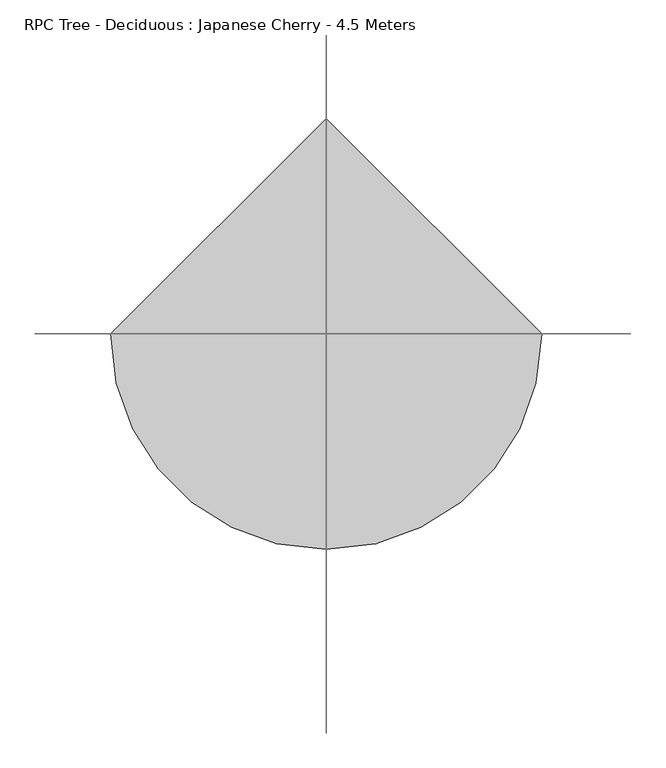
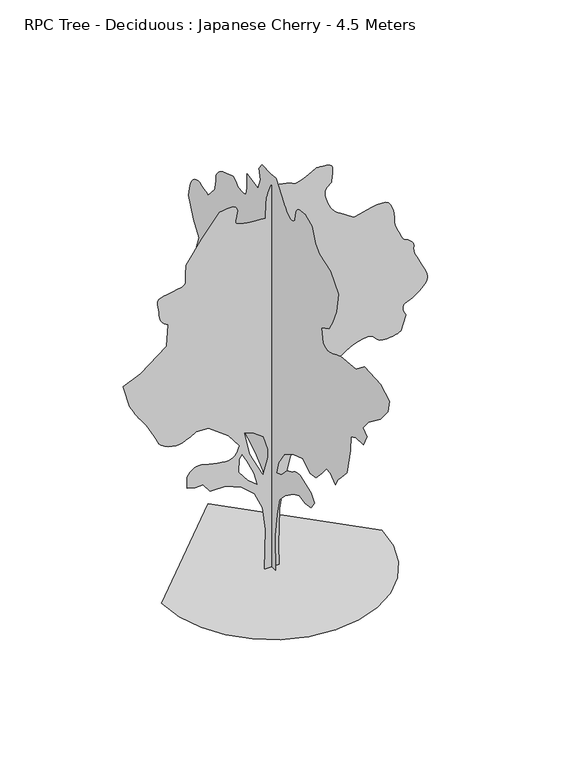
"""IFC4 building model written with IfcOpenShell, lengths in millimetres: geographic element geometry, RPC Tree - Deciduous : Japanese Cherry - 4.5 Meters."""

from ifc_helpers import new_model, si_unit, origin, place, context, project, spatial, triangles, source, transform, mapped, element, save


def rpc_tree_deciduous_japanese_cherry_4_5_meters_7aaeb41d(model_context):
    return source(origin(), model_context, "Body", "Tessellation", [
        triangles([(-0.0027587, 74.5725603, 0.00586), (-0.0027587, -72.0943095, 0.00586), (-0.0027587, -58.7610481, 393.3378007), (-0.0027587, -98.7608322, 653.338028), (-0.0027587, -145.4276149, 853.3381748), (-0.0027587, -252.0952047, 966.670792), (-0.0027587, -412.0928332, 1080.00588), (-0.0027587, -518.7604139, 1126.6709095), (-0.0027587, -625.428031, 1106.6708948), (-0.0027587, -738.7605755, 1126.6709095), (-0.0027587, -798.7606195, 1213.3385118), (-0.0027587, -738.7605755, 1293.3384979), (-0.0027587, -525.4279212, 1366.6710857), (-0.0027587, -506.885412, 1365.1761189), (-0.0027587, -488.5178922, 1363.2711479), (-0.0027587, -470.5003873, 1360.5486397), (-0.0027587, -453.0078504, 1356.6035316), (-0.0027587, -436.2153434, 1351.0261105), (-0.0027587, -420.2953485, 1343.4060814), (-0.0027587, -405.4278331, 1333.3385273), (-0.0027587, -390.5578105, 1322.4935497), (-0.0027587, -374.6402864, 1312.6960373), (-0.0027587, -357.8477795, 1303.7760876), (-0.0027587, -340.3552789, 1295.553479), (-0.0027587, -322.337774, 1287.8585999), (-0.0027587, -303.9702541, 1280.5110832), (-0.0027587, -285.4277268, 1273.3385559), (-0.0027587, -185.427399, 1166.6709389), (-0.0027587, -85.4275708, 1126.6709095), (-0.0027587, -125.4276002, 1266.671085), (-0.0027587, -238.7606988, 1433.3386734), (-0.0027587, -398.7603258, 1533.3386742), (-0.0027587, -585.4279653, 1593.3387909), (-0.0027587, -718.7605608, 1506.6712612), (-0.0027587, -825.4281778, 1520.0062031), (-0.0027587, -938.7607224, 1640.0038204), (-0.0027587, -1025.4283247, 1746.6714375), (-0.0027587, -1105.4259127, 1740.0039665), (-0.0027587, -1192.0934423, 1660.0063786), (-0.0027587, -1245.4260155, 1753.3389084), (-0.0027587, -1305.4259869, 1820.0040253), (-0.0027587, -1412.0936039, 1933.3391132), (-0.0027587, -1478.7587208, 2233.3392609), (-0.0027587, -1485.4261917, 2393.3393784), (-0.0027587, -1578.7613377, 2433.336937), (-0.0027587, -1725.426368, 2446.6718788), (-0.0027587, -1785.4264847, 2573.3269386), (-0.0027587, -1712.0938969, 2633.3270554), (-0.0027587, -1812.0938976, 2753.3272888), (-0.0027587, -2038.759132, 2926.6774635), (-0.0027587, -2185.4267784, 3100.0026398), (-0.0027587, -2212.0917206, 3240.0025246), (-0.0027587, -2045.4266029, 3333.3276421), (-0.0027587, -1738.758839, 3346.6776993), (-0.0027587, -1585.4263378, 3226.6774658), (-0.0027587, -1292.0935158, 3193.3274666), (-0.0027587, -1252.2485641, 3177.7025482), (-0.0027587, -1213.3385118, 3162.6025978), (-0.0027587, -1176.2909185, 3148.5525833), (-0.0027587, -1142.0459158, 3136.0774727), (-0.0027587, -1111.5309179, 3125.7025246), (-0.0027587, -1085.6808969, 3117.9524162), (-0.0027587, -1065.4258833, 3113.3274078), (-0.0027587, -1047.2933418, 3113.0774231), (-0.0027587, -1028.108321, 3117.0274727), (-0.0027587, -1009.2758223, 3123.6526497), (-0.0027587, -992.1908186, 3131.4524643), (-0.0027587, -978.255768, 3138.9025909), (-0.0027587, -968.8682596, 3144.4775414), (-0.0027587, -965.4258099, 3146.6774071), (-0.0027587, -932.0932514, 3306.6778152), (-0.0027587, -1072.0933542, 3380.0027), (-0.0027587, -1138.7609419, 3486.6778748), (-0.0027587, -1212.093457, 3660.003051), (-0.0027587, -1252.0934864, 3880.0029945), (-0.0027587, -1098.7609125, 4053.3281708), (-0.0027587, -898.760693, 4126.6783447), (-0.0027587, -818.7606342, 4200.0035202), (-0.0027587, -758.7605902, 4360.0036377), (-0.0027587, -618.7604874, 4413.3285805), (-0.0027587, -595.9604982, 4413.2285866), (-0.0027587, -573.5129585, 4412.5536278), (-0.0027587, -551.7629416, 4410.70345), (-0.0027587, -531.0629333, 4407.1286682), (-0.0027587, -511.7629123, 4401.17845), (-0.0027587, -494.2128934, 4392.3534073), (-0.0027587, -478.7603846, 4380.0035797), (-0.0027587, -466.2228868, 4364.5536507), (-0.0027587, -456.8353784, 4347.0035591), (-0.0027587, -450.0728551, 4327.7035744), (-0.0027587, -445.4078419, 4307.0033844), (-0.0027587, -442.3178415, 4285.2535492), (-0.0027587, -440.2753427, 4262.803466), (-0.0027587, -438.7603552, 4240.0034042), (-0.0027587, -427.2553525, 4227.3033073), (-0.0027587, -415.2803204, 4215.6034401), (-0.0027587, -402.3753304, 4205.9034508), (-0.0027587, -388.070317, 4199.1532814), (-0.0027587, -371.9003011, 4196.3784508), (-0.0027587, -353.3952896, 4198.553318), (-0.0027587, -332.0927745, 4206.6784035), (-0.0027587, -310.9852693, 4218.4782646), (-0.0027587, -293.0277353, 4231.0033722), (-0.0027587, -277.6927156, 4244.1034447), (-0.0027587, -264.4552061, 4257.6784882), (-0.0027587, -252.7927094, 4271.5785118), (-0.0027587, -242.1814384, 4285.7285202), (-0.0027587, -232.0939364, 4300.003521), (-0.0027587, -138.7608616, 4426.6786377), (-0.0027587, -78.7608175, 4500.0035225), (-0.0027587, 21.2393172, 4493.3286392), (-0.0027587, 181.2391554, 4500.0035225), (-0.0027587, 241.2389451, 4420.0034637), (-0.0027587, 214.5724224, 4306.6784042), (-0.0027587, 261.2402133, 4180.0032875), (-0.0027587, 467.9053785, 4220.0034622), (-0.0027587, 467.9053785, 4073.3284035), (-0.0027587, 469.4403866, 4050.6283356), (-0.0027587, 471.6178699, 4028.7032204), (-0.0027587, 475.0778695, 4008.4282951), (-0.0027587, 480.4628969, 3990.6282188), (-0.0027587, 488.4103769, 3976.0532364), (-0.0027587, 499.5679081, 3965.5782944), (-0.0027587, 514.5729152, 3960.0030533), (-0.0027587, 531.7154371, 3957.9281799), (-0.0027587, 548.8579591, 3957.2532211), (-0.0027587, 566.0004447, 3957.7281921), (-0.0027587, 583.1429667, 3959.1531052), (-0.0027587, 600.2854886, 3961.2782661), (-0.0027587, 617.4304813, 3963.853109), (-0.0027587, 634.5730396, 3966.6782272), (-0.0027587, 650.2955538, 3982.2281502), (-0.0027587, 666.0780207, 3996.928125), (-0.0027587, 681.9780676, 4009.8782066), (-0.0027587, 698.0505604, 4020.2031578), (-0.0027587, 714.3580679, 4027.0283226), (-0.0027587, 730.9580721, 4029.4781731), (-0.0027587, 747.9055841, 4026.678344), (-0.0027587, 927.9057163, 3966.6782272), (-0.0027587, 953.4457998, 3949.4781143), (-0.0027587, 977.9358021, 3931.9283134), (-0.0027587, 1000.3257872, 3913.6782646), (-0.0027587, 1019.5682899, 3894.3782799), (-0.0027587, 1034.6108311, 3873.6780899), (-0.0027587, 1044.4058727, 3851.2280067), (-0.0027587, 1047.9058771, 3826.6780518), (-0.0027587, 1048.6833733, 3801.5281334), (-0.0027587, 1050.8608566, 3777.4531494), (-0.0027587, 1054.2033852, 3754.253112), (-0.0027587, 1058.4783422, 3731.7530319), (-0.0027587, 1063.4533293, 3709.7529213), (-0.0027587, 1068.895875, 3688.1280785), (-0.0027587, 1074.570892, 3666.6779343), (-0.0027587, 1201.238451, 3526.6777588), (-0.0027587, 1239.7609543, 3543.5528915), (-0.0027587, 1277.9935043, 3558.9278252), (-0.0027587, 1315.641061, 3571.2779434), (-0.0027587, 1352.4135258, 3579.077758), (-0.0027587, 1388.0210907, 3580.8029434), (-0.0027587, 1422.1711864, 3574.9530098), (-0.0027587, 1454.5712437, 3560.0027596), (-0.0027587, 1482.6961258, 3536.9027161), (-0.0027587, 1504.8736965, 3508.1777252), (-0.0027587, 1522.093721, 3474.8027275), (-0.0027587, 1535.3487259, 3437.7026665), (-0.0027587, 1545.6312378, 3397.8027763), (-0.0027587, 1553.9313126, 3356.02771), (-0.0027587, 1561.2387154, 3313.3277), (-0.0027587, 1474.5711857, 3086.677581), (-0.0027587, 1367.9060394, 2940.0022316), (-0.0027587, 1454.5712437, 2700.0020554), (-0.0027587, 1374.5710396, 2573.3269386), (-0.0027587, 1341.9185268, 2561.8270592), (-0.0027587, 1310.4910847, 2549.851918), (-0.0027587, 1281.5110222, 2536.952124), (-0.0027587, 1256.2035553, 2522.6521248), (-0.0027587, 1235.7959347, 2506.4769493), (-0.0027587, 1221.5110508, 2487.9745903), (-0.0027587, 1214.5709948, 2466.6721115), (-0.0027587, 1212.2984591, 2444.0095413), (-0.0027587, 1211.0734612, 2421.694479), (-0.0027587, 1210.7234825, 2399.6744568), (-0.0027587, 1211.0734612, 2377.8869785), (-0.0027587, 1211.9484804, 2356.2718735), (-0.0027587, 1213.1734783, 2334.7768192), (-0.0027587, 1214.5709948, 2313.3368488), (-0.0027587, 1187.9059799, 2206.6718479), (-0.0027587, 1001.2383041, 2226.6717899), (-0.0027587, 985.728277, 2195.3792233), (-0.0027587, 971.4433205, 2164.9017231), (-0.0027587, 959.6057436, 2136.0592976), (-0.0027587, 951.4432331, 2109.6642517), (-0.0027587, 948.1782434, 2086.536739), (-0.0027587, 951.0357725, 2067.486739), (-0.0027587, 961.2382748, 2053.3392014), (-0.0027587, 977.7782536, 2041.5992203), (-0.0027587, 998.0507807, 2029.6266953), (-0.0027587, 1020.8883402, 2018.0041489), (-0.0027587, 1045.1258142, 2007.3141037), (-0.0027587, 1069.5958323, 1998.1390823), (-0.0027587, 1093.133349, 1991.0640781), (-0.0027587, 1114.5709213, 1986.6716137), (-0.0027587, 1133.9884134, 1982.8416149), (-0.0027587, 1152.3558969, 1977.2640484), (-0.0027587, 1169.8484339, 1970.229158), (-0.0027587, 1186.6409409, 1962.0266064), (-0.0027587, 1202.9109507, 1952.9491081), (-0.0027587, 1218.828511, 1943.2890873), (-0.0027587, 1234.5710094, 1933.3391132), (-0.0027587, 1387.9061268, 2013.339172), (-0.0027587, 1431.9861397, 2024.5916828), (-0.0027587, 1474.8436981, 2034.7965832), (-0.0027587, 1515.2512608, 2042.9016117), (-0.0027587, 1551.9862278, 2047.8566872), (-0.0027587, 1583.8238194, 2048.6141991), (-0.0027587, 1609.5388195, 2044.1266823), (-0.0027587, 1627.9038322, 2033.339114), (-0.0027587, 1640.0538174, 2017.6916679), (-0.0027587, 1648.351276, 1999.5965515), (-0.0027587, 1653.4438431, 1979.4615887), (-0.0027587, 1655.9713051, 1957.6915512), (-0.0027587, 1656.5738846, 1934.6990593), (-0.0027587, 1655.8938389, 1910.8890301), (-0.0027587, 1654.5713905, 1886.6714676), (-0.0027587, 1631.6563648, 1862.5890713), (-0.0027587, 1608.3913605, 1839.7339256), (-0.0027587, 1584.4262535, 1819.3239796), (-0.0027587, 1559.4112106, 1802.5889545), (-0.0027587, 1532.9962532, 1790.7539211), (-0.0027587, 1504.833728, 1785.0390083), (-0.0027587, 1474.5711857, 1786.6714668), (-0.0027587, 1442.5211071, 1793.7065025), (-0.0027587, 1410.0036152, 1802.1439236), (-0.0027587, 1378.1860806, 1810.1114605), (-0.0027587, 1348.2360191, 1815.7489071), (-0.0027587, 1321.3160053, 1817.1864647), (-0.0027587, 1298.5960258, 1812.5614563), (-0.0027587, 1281.2385098, 1800.0039379), (-0.0027587, 1268.1185257, 1783.8339947), (-0.0027587, 1257.0985588, 1769.4114738), (-0.0027587, 1247.8260143, 1756.448893), (-0.0027587, 1239.9560005, 1744.6513573), (-0.0027587, 1233.1334518, 1733.7264427), (-0.0027587, 1227.0110058, 1723.3863762), (-0.0027587, 1221.2385384, 1713.338879), (-0.0027587, 1243.9585178, 1710.3264175), (-0.0027587, 1265.8635761, 1706.3813095), (-0.0027587, 1286.1360306, 1700.5688736), (-0.0027587, 1303.9584892, 1691.958934), (-0.0027587, 1318.5160309, 1679.6163734), (-0.0027587, 1328.993589, 1662.608836), (-0.0027587, 1334.5710102, 1640.0038204), (-0.0027587, 1336.8460167, 1613.5138676), (-0.0027587, 1338.0710873, 1585.6212387), (-0.0027587, 1338.4210659, 1556.56371), (-0.0027587, 1338.0710873, 1526.5736801), (-0.0027587, 1337.1961407, 1495.8836929), (-0.0027587, 1335.9710701, 1464.7286179), (-0.0027587, 1334.5710102, 1433.3386734), (-0.0027587, 1300.3260075, 1407.8185741), (-0.0027587, 1266.3110779, 1383.4636654), (-0.0027587, 1232.7635616, 1361.4436432), (-0.0027587, 1199.9160027, 1342.9210819), (-0.0027587, 1168.0034157, 1329.0636429), (-0.0027587, 1137.2534031, 1321.0360806), (-0.0027587, 1107.9059212, 1320.0060562), (-0.0027587, 1078.5558958, 1323.638538), (-0.0027587, 1047.808354, 1328.6735504), (-0.0027587, 1015.8932962, 1334.873608), (-0.0027587, 983.0458099, 1342.0060215), (-0.0027587, 949.4982937, 1349.8411537), (-0.0027587, 915.4857622, 1358.1386124), (-0.0027587, 881.238216, 1366.6710857), (-0.0027587, 681.2380692, 1320.0060562), (-0.0027587, 447.9053638, 1200.0059681), (-0.0027587, 314.5727683, 1126.6709095), (-0.0027587, 161.2391225, 1000.0058212), (-0.0027587, 67.905807, 806.6731453), (-0.0027587, 41.2392842, 533.3379398), (-0.0027587, 67.905807, 260.0052052), (78.9470616, 0.0002511, 0.0), (-81.0528197, 0.0002511, 0.0), (-67.7195538, 0.0002197, 453.3328669), (-101.05258, 0.0001988, 713.3330578), (-187.7194103, 0.0001884, 899.9982628), (-327.7202579, 0.0001884, 1026.6658218), (-501.0529192, 0.0001779, 1099.9984097), (-667.7180368, 0.0001779, 1099.9984097), (-747.720639, 0.0001779, 1199.9984831), (-834.3856979, 0.0001779, 1199.9984831), (-921.0532276, 0.0001779, 1219.9984978), (-921.0532276, 0.0001674, 1346.6660568), (-903.7932346, 0.0001674, 1369.3085701), (-885.8332117, 0.0001674, 1390.6686035), (-866.4756723, 0.000157, 1409.4636772), (-845.0181885, 0.000157, 1424.411166), (-820.7606575, 0.000157, 1434.2261192), (-793.0056656, 0.000157, 1437.6286732), (-761.0531101, 0.000157, 1433.3335865), (-723.1130568, 0.000157, 1423.7311203), (-679.5755253, 0.000157, 1412.8461742), (-633.0054754, 0.0001674, 1401.8461189), (-585.970483, 0.0001674, 1391.8936741), (-541.032928, 0.0001674, 1384.1586811), (-500.7604225, 0.0001674, 1379.803569), (-467.71789, 0.0001674, 1379.9986153), (-441.4803563, 0.0001674, 1385.9661289), (-419.4403499, 0.0001674, 1397.5311207), (-400.8978407, 0.000157, 1413.7610893), (-385.1527988, 0.000157, 1433.7212082), (-371.5103176, 0.000157, 1456.4811562), (-359.2652802, 0.000157, 1481.1062519), (-347.7202726, 0.000157, 1506.6661743), (-467.71789, 0.0001465, 1666.6662918), (-687.7180515, 0.000136, 1826.6664093), (-821.0531542, 0.000136, 1833.3314095), (-842.5681927, 0.000136, 1820.5039948), (-864.6081991, 0.000136, 1807.851424), (-887.7006849, 0.000136, 1795.5489773), (-912.3632057, 0.000136, 1783.7688824), (-939.1282871, 0.000136, 1772.6913609), (-968.5158102, 0.000136, 1762.4864605), (-1001.0532864, 0.0001465, 1753.3313507), (-1038.4858126, 0.0001465, 1750.1639568), (-1080.1183731, 0.0001465, 1756.5589153), (-1122.8009422, 0.000136, 1770.6488983), (-1163.385965, 0.000136, 1790.5713741), (-1198.7209448, 0.000136, 1814.4590149), (-1225.6584721, 0.000136, 1840.4465275), (-1241.0509918, 0.000136, 1866.6664387), (-1254.4834568, 0.000136, 1899.3565945), (-1275.8434902, 0.0001256, 1942.8940533), (-1302.4510231, 0.0001256, 1992.6141289), (-1331.6261318, 0.0001256, 2043.8466122), (-1360.6836605, 0.0001256, 2091.9317585), (-1386.9410694, 0.0001151, 2132.204155), (-1407.7185802, 0.0001151, 2159.9992607), (-1425.2510857, 0.0001151, 2182.1367176), (-1443.4812229, 0.0001151, 2208.1242302), (-1462.2962082, 0.0001151, 2237.3167797), (-1481.576136, 0.0001151, 2269.0742889), (-1501.2061878, 0.0001046, 2302.7592968), (-1521.0712543, 0.0001046, 2337.7244591), (-1541.0512848, 0.0001046, 2373.3318787), (-1614.3863434, 9.42e-05, 2626.6771706), (-1421.0511967, 8.37e-05, 2706.6772293), (-1141.0533892, 7.32e-05, 2926.6774635), (-1127.7183746, 5.23e-05, 3166.6526413), (-1147.5834412, 5.23e-05, 3181.0776329), (-1166.6309704, 5.23e-05, 3196.1775833), (-1184.0459684, 5.23e-05, 3212.677739), (-1199.0109707, 5.23e-05, 3231.2774757), (-1210.7109833, 5.23e-05, 3252.677623), (-1218.3310123, 5.23e-05, 3277.5775566), (-1221.0535206, 5.23e-05, 3306.6525261), (-1223.4635479, 4.19e-05, 3339.402562), (-1228.9034775, 4.19e-05, 3373.552803), (-1234.6960018, 4.19e-05, 3407.2527809), (-1238.155965, 4.19e-05, 3438.6029022), (-1236.6009727, 4.19e-05, 3465.7526985), (-1227.3484852, 4.19e-05, 3486.8278656), (-1207.7185061, 4.19e-05, 3500.0029335), (-1173.335939, 4.19e-05, 3508.2777191), (-1126.1258846, 3.14e-05, 3516.4528015), (-1072.8508661, 3.14e-05, 3525.1778503), (-1020.2758049, 3.14e-05, 3535.2278183), (-975.1632969, 3.14e-05, 3547.2279579), (-944.2782635, 3.14e-05, 3561.9279327), (-934.3857714, 3.14e-05, 3580.0029922), (-936.4657316, 3.14e-05, 3601.7528275), (-937.1457773, 3.14e-05, 3626.6530518), (-936.6582344, 3.14e-05, 3654.1778252), (-935.2407337, 3.14e-05, 3683.7780533), (-933.1232758, 2.09e-05, 3714.9778931), (-930.5382591, 2.09e-05, 3747.2279594), (-927.7182278, 2.09e-05, 3780.0029938), (-761.0531101, 1.05e-05, 4020.00317), (-567.7204705, -1.05e-05, 4260.0033463), (-526.5729095, -1.05e-05, 4266.8535095), (-487.1179049, -1.05e-05, 4272.0284843), (-451.042854, -1.05e-05, 4273.8283745), (-420.0428567, -1.05e-05, 4270.5285759), (-395.80531, -1.05e-05, 4260.4783173), (-380.0228067, -1.05e-05, 4241.9782837), (-374.3852875, 0.0, 4213.3282883), (-377.165314, 0.0, 4181.0535141), (-383.5603088, 0.0, 4152.6032158), (-390.6553336, 0.0, 4127.8032761), (-395.5328339, 0.0, 4106.3534225), (-395.2803057, 0.0, 4088.0533768), (-386.9803036, 0.0, 4072.6781525), (-367.7202873, 0.0, 4060.0033447), (-338.5077899, 0.0, 4049.7283905), (-302.995241, 0.0, 4041.5783066), (-262.2377179, 1.05e-05, 4035.1531174), (-217.282177, 1.05e-05, 4030.1531319), (-169.1771373, 1.05e-05, 4026.1783745), (-118.9730978, 1.05e-05, 4022.9032837), (-67.7195538, 1.05e-05, 4020.00317), (-61.0525507, 0.0, 4200.0035202), (-59.4975493, -1.05e-05, 4225.5284157), (-55.1437952, -1.05e-05, 4250.678334), (-48.4577889, -1.05e-05, 4275.5535599), (-39.9057809, -1.05e-05, 4300.2035088), (-29.954274, -1.05e-05, 4324.6784683), (-19.070066, -1.05e-05, 4349.0284355), (-7.719256, -1.05e-05, 4373.3284058), (37.7812808, -1.05e-05, 4364.72864), (81.9990646, -1.05e-05, 4356.0285896), (123.6511007, -1.05e-05, 4347.103553), (161.4548797, -1.05e-05, 4337.8035393), (194.127413, -1.05e-05, 4328.053553), (220.3859302, -1.05e-05, 4317.7036034), (238.9474425, -1.05e-05, 4306.6534058), (263.1077047, -1.05e-05, 4303.4286026), (302.4252358, -1.05e-05, 4313.503569), (350.0252918, -1.05e-05, 4332.2035904), (399.0253169, -1.05e-05, 4354.8786598), (442.5428641, -1.05e-05, 4376.8284828), (473.6978665, -2.09e-05, 4393.4286324), (485.6129096, -2.09e-05, 4400.0035217), (495.2154121, -2.09e-05, 4400.2035095), (519.9779268, -2.09e-05, 4399.9285263), (553.8354532, -2.09e-05, 4397.9036499), (590.7254617, -2.09e-05, 4392.8536674), (624.5830244, -1.05e-05, 4383.4786583), (649.3455391, -1.05e-05, 4368.5034096), (658.9480053, -1.05e-05, 4346.6535805), (658.5580582, -1.05e-05, 4321.3283821), (657.4705519, -1.05e-05, 4296.7034317), (655.7980522, -1.05e-05, 4272.6784447), (653.6605373, -1.05e-05, 4249.1034302), (651.1730438, -1.05e-05, 4225.8783943), (648.4505356, 0.0, 4202.8783447), (645.6129908, 0.0, 4180.0032875), (628.6255102, 0.0, 4167.0034996), (612.5730017, 0.0, 4153.2784653), (598.3829885, 0.0, 4138.0032349), (586.992986, 0.0, 4120.4784325), (579.3354592, 0.0, 4099.9282333), (576.342982, 0.0, 4075.5782661), (578.9479829, 0.0, 4046.6532875), (586.2154899, 1.05e-05, 4014.6032089), (596.2829713, 1.05e-05, 3981.953167), (608.6854846, 1.05e-05, 3949.7530975), (622.9504932, 1.05e-05, 3919.0782257), (638.6155254, 1.05e-05, 3890.9781967), (655.2155296, 1.05e-05, 3866.4782387), (672.280549, 2.09e-05, 3846.6529953), (692.3380457, 2.09e-05, 3828.553228), (717.6455853, 2.09e-05, 3808.6779877), (747.3231342, 2.09e-05, 3787.3531265), (780.5031584, 2.09e-05, 3764.8780449), (816.3031534, 2.09e-05, 3741.5030182), (853.853187, 2.09e-05, 3717.5780251), (892.2807106, 2.09e-05, 3693.3280518), (959.140801, 2.09e-05, 3711.6280975), (1024.3108057, 2.09e-05, 3728.2279564), (1086.098386, 2.09e-05, 3741.4280228), (1142.8159269, 2.09e-05, 3749.5781067), (1192.7659304, 2.09e-05, 3750.9530228), (1234.2634701, 2.09e-05, 3743.8781639), (1265.6135914, 2.09e-05, 3726.6530525), (1288.19855, 2.09e-05, 3698.6530174), (1305.0685959, 3.14e-05, 3662.6028923), (1317.0411209, 3.14e-05, 3621.8780525), (1324.9335171, 3.14e-05, 3579.8779999), (1329.5585255, 3.14e-05, 3539.9778191), (1331.7360088, 4.19e-05, 3505.5528854), (1332.2810337, 4.19e-05, 3480.0027008), (1337.451067, 4.19e-05, 3452.7529106), (1350.7835381, 4.19e-05, 3414.6526199), (1369.0136753, 4.19e-05, 3371.2026558), (1388.8785965, 5.23e-05, 3327.8526855), (1407.1112045, 5.23e-05, 3290.1026642), (1420.4436756, 5.23e-05, 3263.4275482), (1425.6137089, 5.23e-05, 3253.3275833), (1432.59119, 5.23e-05, 3250.5527527), (1450.4136486, 5.23e-05, 3242.5276611), (1474.4187241, 5.23e-05, 3229.7275703), (1499.938678, 5.23e-05, 3212.6024529), (1522.3086788, 5.23e-05, 3191.6275703), (1536.8662205, 5.23e-05, 3167.2776031), (1538.9461807, 6.28e-05, 3140.0025238), (1536.3412525, 6.28e-05, 3112.1024826), (1539.3362732, 6.28e-05, 3085.0273911), (1546.9938, 6.28e-05, 3057.9525902), (1558.3838024, 6.28e-05, 3030.0775475), (1572.5713085, 6.28e-05, 3000.5523148), (1588.6262878, 7.32e-05, 2968.5775223), (1605.6137684, 7.32e-05, 2933.3273483), (1625.0112762, 7.32e-05, 2895.102356), (1646.5088013, 7.32e-05, 2855.2271736), (1666.4888317, 7.32e-05, 2814.5523308), (1681.3363266, 8.37e-05, 2773.8771973), (1687.4413319, 8.37e-05, 2734.0023056), (1681.1813942, 8.37e-05, 2695.7773132), (1658.9462688, 8.37e-05, 2660.0021713), (1628.9963528, 9.42e-05, 2628.8270393), (1601.3762363, 9.42e-05, 2603.2521469), (1575.1563251, 9.42e-05, 2582.3269707), (1549.4036819, 9.42e-05, 2565.1521469), (1523.1837708, 9.42e-05, 2550.7771523), (1495.5662704, 9.42e-05, 2538.2520447), (1465.6137383, 9.42e-05, 2526.6771698), (1440.211219, 9.42e-05, 2513.3021141), (1425.6512066, 9.42e-05, 2496.4220398), (1420.1311947, 9.42e-05, 2476.6369102), (1421.8435902, 0.0001046, 2454.5170395), (1428.976149, 0.0001046, 2430.6494556), (1439.7236034, 0.0001046, 2405.616972), (1452.2811218, 0.0001046, 2379.9993496), (1398.9461506, 0.0001151, 2213.3317612), (1380.1910454, 0.0001151, 2204.8392563), (1360.3261242, 0.0001151, 2196.8118393), (1338.2460766, 0.0001151, 2189.7167782), (1312.8435574, 0.0001151, 2184.021777), (1283.0086052, 0.0001151, 2180.194249), (1247.6334389, 0.0001151, 2178.6968113), (1205.6134747, 0.0001151, 2179.9992027), (1167.8684675, 0.0001151, 2188.6467854), (1142.0184465, 0.0001151, 2205.9268353), (1121.9983749, 0.0001151, 2227.4043034), (1101.7459047, 0.0001151, 2248.6467567), (1075.1958538, 0.0001151, 2265.2268494), (1036.2833307, 0.0001151, 2272.7093868), (978.9457695, 0.0001151, 2266.6642616), (912.6507608, 0.0001151, 2247.8318356), (851.8331795, 0.0001151, 2221.3017689), (797.8981722, 0.0001151, 2189.1717533), (752.2406393, 0.0001151, 2153.5467476), (716.2655823, 0.0001151, 2116.5192112), (691.365576, 0.0001256, 2080.1942482), (678.94802, 0.0001256, 2046.6666435), (678.6755802, 0.0001256, 2016.7915775), (688.1980368, 0.0001256, 1989.7166313), (705.8855473, 0.0001256, 1964.9741009), (730.1031097, 0.0001256, 1942.0990437), (759.2181204, 0.000136, 1920.6215755), (791.6006641, 0.000136, 1900.0764633), (825.6131956, 0.000136, 1879.9990551), (845.4582052, 0.000136, 1867.0540604), (864.3707136, 0.000136, 1853.5839523), (881.4156761, 0.000136, 1839.0665245), (895.6632076, 0.000136, 1822.9739021), (906.1782635, 0.000136, 1804.7814079), (912.0282698, 0.000136, 1783.9639286), (912.2807253, 0.000136, 1759.998967), (909.6182425, 0.0001465, 1730.7863605), (907.3057383, 0.0001465, 1695.2763187), (905.28326, 0.0001465, 1654.5187775), (903.4957237, 0.0001465, 1609.5613472), (901.880706, 0.000157, 1561.4562893), (900.3857391, 0.000157, 1511.253685), (898.9457108, 0.000157, 1459.998674), (864.6231691, 0.000157, 1434.5760979), (830.0656855, 0.000157, 1410.9037056), (795.0406431, 0.0001674, 1390.7286289), (759.3156435, 0.0001674, 1375.8010517), (722.6606134, 0.0001674, 1367.8711578), (684.835524, 0.0001674, 1368.686079), (645.6129908, 0.0001674, 1379.9986153), (606.1979911, 0.0001674, 1395.0036587), (567.8304565, 0.0001674, 1406.1611172), (530.3354342, 0.000157, 1414.1112133), (493.5429125, 0.000157, 1419.4935883), (457.2753588, 0.000157, 1422.9536968), (421.3578564, 0.000157, 1425.1311802), (385.6127998, 0.000157, 1426.6661156), (272.280219, 0.0001674, 1353.3335278), (198.9474132, 0.0001779, 1186.6659393), (125.6138534, 0.0001884, 906.6657337), (85.6140693, 0.0002093, 633.332999), (72.2805581, 0.0002302, 233.3331958), (-94.386072, 8.37e-05, 1079.998395), (-41.0527812, 7.32e-05, 1266.6659981), (-41.0527812, 6.28e-05, 1359.9985279), (-87.7190734, 5.23e-05, 1519.9987907), (-207.7189163, 5.23e-05, 1606.6663204), (-301.052736, 5.23e-05, 1639.9988789), (-241.0526919, 6.28e-05, 1373.3336151), (-154.3856164, 6.28e-05, 993.3333361), (-194.385664, 6.28e-05, 1139.998439), (-267.7202139, 5.23e-05, 1299.9985565), (-321.0527507, 4.19e-05, 1399.9987026), (-354.3852728, 4.19e-05, 1353.3335278), (-361.0527801, 5.23e-05, 1206.665954), (-261.0527066, 6.28e-05, 1079.998395), (-1193.8159389, 0.0, 0.0045206), (-1162.2559467, -273.5427146, 0.0045206), (-1072.3708809, -524.7504189, 0.0045206), (-931.360738, -746.420573, 0.0045206), (-746.420573, -931.360738, 0.0045206), (-524.7504189, -1072.3708809, 0.0045206), (-273.5427146, -1162.2559467, 0.0045206), (5.22e-05, -1193.8159389, 0.0045206), (273.5427146, -1162.2559467, 0.0045206), (524.7504189, -1072.3708809, 0.0045206), (746.420573, -931.360738, 0.0045206), (931.360738, -746.420573, 0.0045206), (1072.3708809, -524.7504189, 0.0045206), (1162.2559467, -273.5427146, 0.0045206), (1193.8159389, 0.0001046, 0.0045206), (-0.0001566, 1193.8159389, 0.0045206)], [[38, 39, 40], [115, 116, 117], [1, 2, 3], [280, 1, 3], [279, 280, 3], [279, 3, 4], [278, 279, 4], [278, 4, 5], [186, 187, 188], [277, 278, 5], [46, 47, 48], [45, 46, 48], [277, 5, 6], [185, 186, 188], [10, 11, 12], [9, 10, 12], [9, 12, 13], [8, 9, 13], [8, 13, 14], [8, 14, 15], [8, 15, 16], [8, 16, 17], [8, 17, 18], [8, 18, 19], [8, 19, 20], [8, 20, 21], [7, 8, 21], [7, 21, 22], [7, 22, 23], [7, 23, 24], [7, 24, 25], [7, 25, 26], [6, 7, 26], [6, 26, 27], [6, 27, 28], [277, 6, 28], [277, 28, 29], [51, 52, 53], [50, 51, 53], [50, 53, 54], [50, 54, 55], [49, 50, 55], [49, 55, 56], [48, 49, 56], [48, 56, 57], [45, 48, 57], [44, 45, 57], [44, 57, 58], [44, 58, 59], [44, 59, 60], [44, 60, 61], [44, 61, 62], [44, 62, 63], [276, 277, 29], [276, 29, 30], [184, 185, 188], [183, 184, 188], [44, 63, 64], [115, 117, 118], [111, 112, 113], [111, 113, 114], [182, 183, 188], [109, 110, 111], [109, 111, 114], [108, 109, 114], [108, 114, 115], [107, 108, 115], [106, 107, 115], [105, 106, 115], [104, 105, 115], [115, 118, 119], [170, 171, 172], [170, 172, 173], [170, 173, 174], [170, 174, 175], [74, 75, 76], [74, 76, 77], [73, 74, 77], [72, 73, 77], [71, 72, 77], [258, 259, 260], [181, 182, 188], [78, 79, 80], [170, 175, 176], [103, 104, 115], [78, 80, 81], [44, 64, 65], [275, 276, 30], [275, 30, 31], [274, 275, 31], [78, 81, 82], [78, 82, 83], [78, 83, 84], [78, 84, 85], [78, 85, 86], [78, 86, 87], [78, 87, 88], [78, 88, 89], [78, 89, 90], [78, 90, 91], [78, 91, 92], [78, 92, 93], [78, 93, 94], [78, 94, 95], [78, 95, 96], [71, 77, 78], [71, 78, 96], [71, 96, 97], [71, 97, 98], [71, 98, 99], [71, 99, 100], [115, 119, 120], [180, 181, 188], [38, 40, 41], [223, 224, 225], [33, 34, 35], [33, 35, 36], [33, 36, 37], [102, 103, 115], [179, 180, 188], [44, 65, 66], [170, 176, 177], [71, 100, 101], [43, 44, 66], [42, 43, 66], [41, 42, 66], [38, 41, 66], [37, 38, 66], [33, 37, 66], [33, 66, 67], [33, 67, 68], [33, 68, 69], [33, 69, 70], [32, 33, 70], [31, 32, 70], [274, 31, 70], [273, 274, 70], [273, 70, 71], [273, 71, 101], [273, 101, 102], [273, 102, 115], [273, 115, 120], [273, 120, 121], [273, 121, 122], [273, 122, 123], [273, 123, 124], [273, 124, 125], [273, 125, 126], [273, 126, 127], [273, 127, 128], [273, 128, 129], [273, 129, 130], [273, 130, 131], [272, 273, 131], [271, 272, 131], [270, 271, 131], [269, 270, 131], [268, 269, 131], [268, 131, 132], [268, 132, 133], [268, 133, 134], [167, 168, 169], [257, 258, 260], [257, 260, 261], [256, 257, 261], [256, 261, 262], [255, 256, 262], [255, 262, 263], [254, 255, 263], [254, 263, 264], [254, 264, 265], [254, 265, 266], [254, 266, 267], [254, 267, 268], [253, 254, 268], [252, 253, 268], [251, 252, 268], [250, 251, 268], [249, 250, 268], [248, 249, 268], [247, 248, 268], [246, 247, 268], [245, 246, 268], [166, 167, 169], [165, 166, 169], [164, 165, 169], [163, 164, 169], [162, 163, 169], [161, 162, 169], [160, 161, 169], [159, 160, 169], [158, 159, 169], [157, 158, 169], [156, 157, 169], [155, 156, 169], [154, 155, 169], [154, 169, 170], [154, 170, 177], [153, 154, 177], [153, 177, 178], [153, 178, 179], [153, 179, 188], [222, 223, 225], [222, 225, 226], [221, 222, 226], [220, 221, 226], [219, 220, 226], [218, 219, 226], [217, 218, 226], [216, 217, 226], [215, 216, 226], [214, 215, 226], [213, 214, 226], [212, 213, 226], [212, 226, 227], [212, 227, 228], [212, 228, 229], [212, 229, 230], [212, 230, 231], [211, 212, 231], [211, 231, 232], [211, 232, 233], [210, 211, 233], [209, 210, 233], [209, 233, 234], [209, 234, 235], [209, 235, 236], [209, 236, 237], [209, 237, 238], [209, 238, 239], [209, 239, 240], [208, 209, 240], [208, 240, 241], [207, 208, 241], [206, 207, 241], [206, 241, 242], [205, 206, 242], [204, 205, 242], [204, 242, 243], [203, 204, 243], [202, 203, 243], [202, 243, 244], [201, 202, 244], [201, 244, 245], [201, 245, 268], [200, 201, 268], [199, 200, 268], [198, 199, 268], [197, 198, 268], [196, 197, 268], [195, 196, 268], [194, 195, 268], [153, 188, 189], [153, 189, 190], [152, 153, 190], [152, 190, 191], [151, 152, 191], [136, 137, 138], [135, 136, 138], [135, 138, 139], [134, 135, 139], [134, 139, 140], [134, 140, 141], [134, 141, 142], [134, 142, 143], [134, 143, 144], [134, 144, 145], [134, 145, 146], [134, 146, 147], [134, 147, 148], [134, 148, 149], [134, 149, 150], [134, 150, 151], [134, 151, 191], [134, 191, 192], [134, 192, 193], [268, 134, 193], [194, 268, 193], [583, 580, 581], [574, 281, 575], [580, 583, 584], [573, 574, 575], [583, 581, 575], [580, 584, 585], [572, 573, 575], [582, 583, 575], [582, 575, 281], [571, 572, 575], [571, 575, 576], [281, 282, 283], [570, 571, 576], [570, 576, 577], [344, 345, 346], [290, 291, 292], [406, 407, 408], [570, 577, 578], [290, 292, 293], [289, 290, 293], [289, 293, 294], [289, 294, 295], [289, 295, 296], [289, 296, 297], [289, 297, 298], [289, 298, 299], [289, 299, 300], [289, 300, 301], [289, 301, 302], [289, 302, 303], [288, 289, 303], [287, 288, 303], [287, 303, 304], [287, 304, 305], [287, 305, 306], [286, 287, 306], [286, 306, 307], [286, 307, 308], [286, 308, 309], [569, 570, 578], [554, 555, 556], [405, 406, 408], [343, 344, 346], [512, 513, 514], [511, 512, 514], [511, 514, 515], [511, 515, 516], [511, 516, 517], [510, 511, 517], [510, 517, 518], [510, 518, 519], [510, 519, 520], [510, 520, 521], [510, 521, 522], [510, 522, 523], [510, 523, 524], [509, 510, 524], [509, 524, 525], [508, 509, 525], [434, 435, 436], [342, 343, 346], [507, 508, 525], [507, 525, 526], [405, 408, 409], [404, 405, 409], [403, 404, 409], [403, 409, 410], [402, 403, 410], [401, 402, 410], [400, 401, 410], [400, 410, 411], [399, 400, 411], [399, 411, 412], [399, 412, 413], [399, 413, 414], [399, 414, 415], [377, 378, 379], [341, 342, 346], [341, 346, 347], [340, 341, 347], [339, 340, 347], [338, 339, 347], [337, 338, 347], [336, 337, 347], [335, 336, 347], [334, 335, 347], [333, 334, 347], [377, 379, 380], [377, 380, 381], [377, 381, 382], [377, 382, 383], [377, 383, 384], [377, 384, 385], [377, 385, 386], [377, 386, 387], [377, 387, 388], [377, 388, 389], [377, 389, 390], [377, 390, 391], [376, 377, 391], [376, 391, 392], [375, 376, 392], [374, 375, 392], [373, 374, 392], [372, 373, 392], [372, 392, 393], [371, 372, 393], [370, 371, 393], [369, 370, 393], [369, 393, 394], [369, 394, 395], [369, 395, 396], [332, 333, 347], [369, 396, 397], [426, 427, 428], [426, 428, 429], [425, 426, 429], [425, 429, 430], [424, 425, 430], [424, 430, 431], [423, 424, 431], [423, 431, 432], [422, 423, 432], [422, 432, 433], [421, 422, 433], [420, 421, 433], [419, 420, 433], [418, 419, 433], [418, 433, 434], [418, 434, 436], [418, 436, 437], [418, 437, 438], [418, 438, 439], [417, 418, 439], [417, 439, 440], [416, 417, 440], [416, 440, 441], [415, 416, 441], [399, 415, 441], [399, 441, 442], [399, 442, 443], [399, 443, 444], [399, 444, 445], [399, 445, 446], [399, 446, 447], [399, 447, 448], [399, 448, 449], [369, 397, 398], [331, 332, 347], [368, 369, 398], [360, 361, 362], [359, 360, 362], [359, 362, 363], [358, 359, 363], [358, 363, 364], [357, 358, 364], [357, 364, 365], [356, 357, 365], [355, 356, 365], [355, 365, 366], [354, 355, 366], [353, 354, 366], [352, 353, 366], [351, 352, 366], [350, 351, 366], [349, 350, 366], [348, 349, 366], [348, 366, 367], [348, 367, 368], [348, 368, 398], [347, 348, 398], [347, 398, 399], [347, 399, 449], [347, 449, 450], [347, 450, 451], [347, 451, 452], [331, 347, 452], [331, 452, 453], [331, 453, 454], [331, 454, 455], [331, 455, 456], [330, 331, 456], [329, 330, 456], [328, 329, 456], [327, 328, 456], [326, 327, 456], [325, 326, 456], [324, 325, 456], [323, 324, 456], [322, 323, 456], [321, 322, 456], [320, 321, 456], [319, 320, 456], [318, 319, 456], [317, 318, 456], [316, 317, 456], [315, 316, 456], [314, 315, 456], [314, 456, 457], [314, 457, 458], [314, 458, 459], [314, 459, 460], [314, 460, 461], [314, 461, 462], [314, 462, 463], [314, 463, 464], [314, 464, 465], [314, 465, 466], [314, 466, 467], [314, 467, 468], [314, 468, 469], [314, 469, 470], [314, 470, 471], [314, 471, 472], [314, 472, 473], [314, 473, 474], [314, 474, 475], [314, 475, 476], [314, 476, 477], [314, 477, 478], [314, 478, 479], [314, 479, 480], [314, 480, 481], [314, 481, 482], [314, 482, 483], [314, 483, 484], [314, 484, 485], [314, 485, 486], [314, 486, 487], [314, 487, 488], [314, 488, 489], [314, 489, 490], [314, 490, 491], [314, 491, 492], [314, 492, 493], [314, 493, 494], [314, 494, 495], [314, 495, 496], [314, 496, 497], [314, 497, 498], [314, 498, 499], [314, 499, 500], [314, 500, 501], [314, 501, 502], [580, 585, 586], [554, 556, 557], [553, 554, 557], [553, 557, 558], [553, 558, 559], [553, 559, 560], [553, 560, 561], [553, 561, 562], [553, 562, 563], [552, 553, 563], [552, 563, 564], [551, 552, 564], [550, 551, 564], [550, 564, 565], [549, 550, 565], [549, 565, 566], [548, 549, 566], [547, 548, 566], [546, 547, 566], [545, 546, 566], [544, 545, 566], [543, 544, 566], [542, 543, 566], [541, 542, 566], [540, 541, 566], [539, 540, 566], [538, 539, 566], [538, 566, 567], [537, 538, 567], [537, 567, 568], [537, 568, 569], [537, 569, 578], [536, 537, 578], [535, 536, 578], [535, 578, 579], [534, 535, 579], [534, 579, 580], [533, 534, 580], [532, 533, 580], [507, 526, 527], [506, 507, 527], [531, 532, 580], [506, 527, 528], [530, 531, 580], [281, 283, 284], [582, 281, 284], [582, 284, 285], [582, 285, 286], [588, 582, 286], [587, 588, 286], [587, 286, 309], [586, 587, 309], [586, 309, 310], [586, 310, 311], [586, 311, 312], [586, 312, 313], [580, 586, 313], [580, 313, 314], [530, 580, 314], [529, 530, 314], [502, 503, 504], [502, 504, 505], [314, 502, 505], [529, 314, 505], [529, 505, 506], [529, 506, 528], [603, 604, 589], [602, 603, 589], [602, 589, 590], [601, 602, 590], [601, 590, 591], [601, 591, 592], [600, 601, 592], [599, 600, 592], [599, 592, 593], [599, 593, 594], [599, 594, 595], [599, 595, 596], [599, 596, 597], [599, 597, 598]], closed=False),
    ])


if __name__ == "__main__":
    model = new_model("IFC4")
    model_context = context("Model", 3, world=origin())
    ifc_project = project(units=[si_unit("LENGTHUNIT", "METRE", prefix="MILLI")], contexts=[model_context])
    site = spatial("IfcSite", under=ifc_project)
    building = spatial("IfcBuilding", under=site)
    placement = place(None, origin())
    rpc_tree_deciduous_japanese_cherry_4_5_meters_shape = rpc_tree_deciduous_japanese_cherry_4_5_meters_7aaeb41d(model_context)
    element("IfcGeographicElement", 1, ObjectType="RPC Tree - Deciduous : Japanese Cherry - 4.5 Meters", at=placement, inside=building, context=model_context, shape_type="MappedRepresentation", body=[
        mapped(rpc_tree_deciduous_japanese_cherry_4_5_meters_shape, transform((0.0, 0.0, 0.0), x_axis=(1.0, 0.0, 0.0), y_axis=(0.0, 1.0, 0.0), z_axis=(0.0, 0.0, 1.0))),
    ])
    save(model, "model.ifc")
